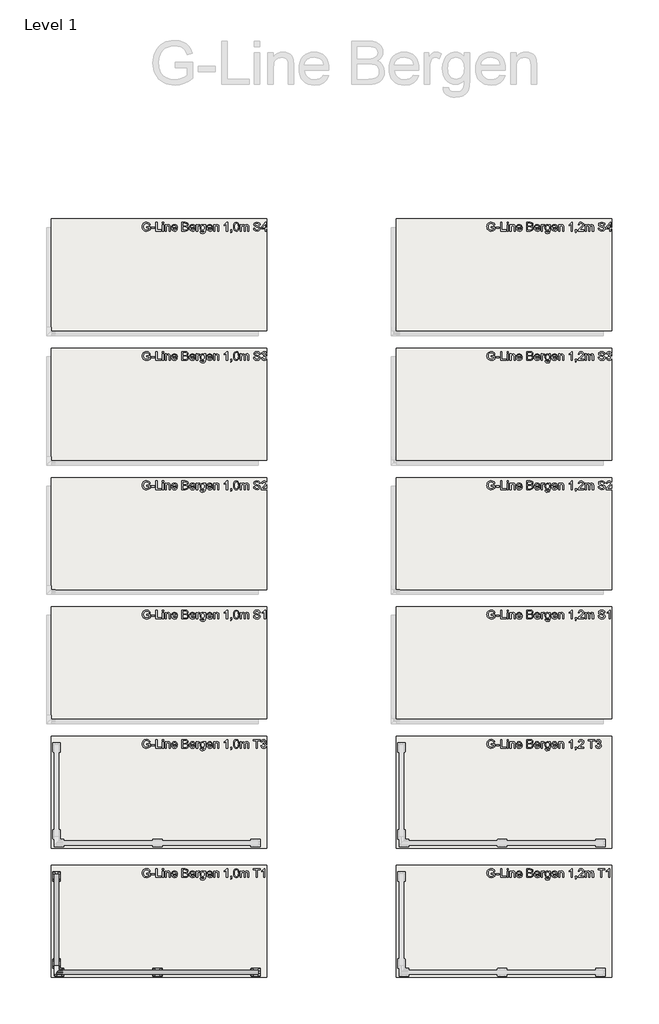
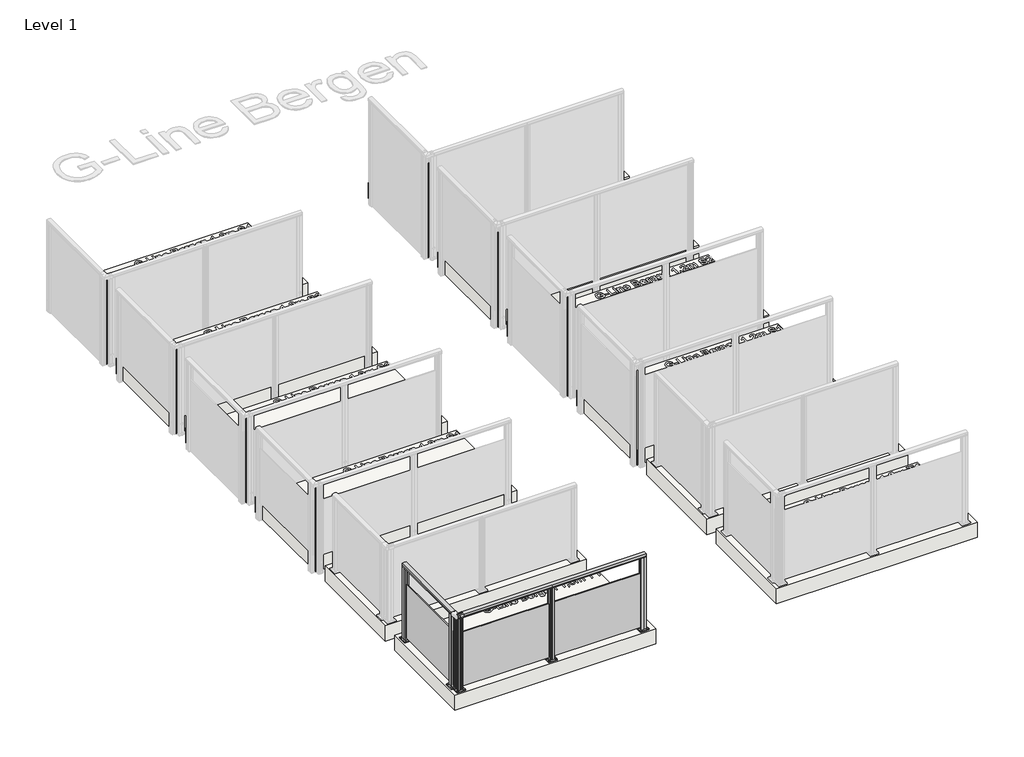
# One storey, part 1 of 14: 12 slabs, 2 railings.
"""IFC4 building model written with IfcOpenShell, lengths in millimetres."""

from ifc_helpers import new_model, si_unit, point, frame, frame_2d, origin, origin_with_axes, place, context, project, spatial, polyline, circle_curve, trimmed, segment, composite_curve, outline, extrude, element, save

model = new_model("IFC4")

# Units and contexts
model_context = context("Model", 3, world=origin())
ifc_project = project(units=[si_unit("LENGTHUNIT", "METRE", prefix="MILLI")], contexts=[model_context])

# Site, building, storey
site = spatial("IfcSite", under=ifc_project)
building = spatial("IfcBuilding", under=site)
storey = spatial("IfcBuildingStorey", under=building, Name="Level 1", Elevation=0.0)

# Railings
placement = place(None, origin())
element("IfcRailing", 1, at=placement, inside=storey, context=model_context, shape_type="SweptSolid", body=[
    extrude(outline(composite_curve([segment(trimmed(circle_curve(frame_2d((942.6785502, -1796.9297443)), 57.3235687), [point((994.1390059, -1771.674784))], [point((994.1342258, -1822.1944423))], False, "CARTESIAN"), True, "CONTINUOUS"), segment(polyline([(994.1342258, -1822.1944423), (967.0235023, -1822.1944423), (966.4415706, -1821.6125106), (965.8194895, -1822.2345917), (957.2498847, -1822.2345917), (957.2498847, -1820.4296387), (980.4998829, -1820.4296387), (980.4998829, -1773.4345926), (957.2498847, -1773.4345926), (957.2498847, -1771.674784), (965.9694895, -1771.674784), (966.5842725, -1772.2895671), (967.1990555, -1771.674784), (994.1390059, -1771.674784)]), True, "CONTINUOUS")], self_intersect=False)), frame((0.0, -4389.2844542, 0.0), z_axis=(0.0, 1.0, 0.0), x_axis=(0.0, 0.0, 1.0)), (0.0, 0.0, 1.0), 1070.0),
    extrude(outline(polyline([(-1802.0345604, -3319.2844542), (-1793.2745604, -3319.2844542), (-1793.2745604, -4389.2844542), (-1802.0345604, -4389.2844542), (-1802.0345604, -3319.2844542)])), frame((0.0, 0.0, 40.0), z_axis=(0.0, 0.0, 1.0), x_axis=(1.0, 0.0, 0.0)), (0.0, 0.0, 1.0), 710.0),
    extrude(outline(composite_curve([segment(trimmed(circle_curve(frame_2d((-1827.6545604, -4319.2844542)), 11.9621755), [point((-1839.6167359, -4319.2844542))], [point((-1815.692385, -4319.2844542))], False, "CARTESIAN"), True, "CONTINUOUS"), segment(trimmed(circle_curve(frame_2d((-1827.6545604, -4319.2844542)), 11.9621755), [point((-1815.692385, -4319.2844542))], [point((-1839.6167359, -4319.2844542))], False, "CARTESIAN"), True, "CONTINUOUS")], self_intersect=False)), frame((0.0, 0.0, 10.0), z_axis=(0.0, 0.0, 1.0), x_axis=(1.0, 0.0, 0.0)), (0.0, 0.0, 1.0), 5.0),
    extrude(outline(composite_curve([segment(trimmed(circle_curve(frame_2d((-1767.6545604, -4319.2844542)), 11.9621755), [point((-1779.6167359, -4319.2844542))], [point((-1755.692385, -4319.2844542))], False, "CARTESIAN"), True, "CONTINUOUS"), segment(trimmed(circle_curve(frame_2d((-1767.6545604, -4319.2844542)), 11.9621755), [point((-1755.692385, -4319.2844542))], [point((-1779.6167359, -4319.2844542))], False, "CARTESIAN"), True, "CONTINUOUS")], self_intersect=False)), frame((0.0, 0.0, 10.0), z_axis=(0.0, 0.0, 1.0), x_axis=(1.0, 0.0, 0.0)), (0.0, 0.0, 1.0), 5.0),
    extrude(outline(composite_curve([segment(trimmed(circle_curve(frame_2d((-1827.6545604, -4399.2844542)), 11.9621755), [point((-1839.6167359, -4399.2844542))], [point((-1815.692385, -4399.2844542))], False, "CARTESIAN"), True, "CONTINUOUS"), segment(trimmed(circle_curve(frame_2d((-1827.6545604, -4399.2844542)), 11.9621755), [point((-1815.692385, -4399.2844542))], [point((-1839.6167359, -4399.2844542))], False, "CARTESIAN"), True, "CONTINUOUS")], self_intersect=False)), frame((0.0, 0.0, 10.0), z_axis=(0.0, 0.0, 1.0), x_axis=(1.0, 0.0, 0.0)), (0.0, 0.0, 1.0), 5.0),
    extrude(outline(composite_curve([segment(trimmed(circle_curve(frame_2d((-1767.6545604, -4399.2844542)), 11.9621755), [point((-1779.6167359, -4399.2844542))], [point((-1755.692385, -4399.2844542))], False, "CARTESIAN"), True, "CONTINUOUS"), segment(trimmed(circle_curve(frame_2d((-1767.6545604, -4399.2844542)), 11.9621755), [point((-1755.692385, -4399.2844542))], [point((-1779.6167359, -4399.2844542))], False, "CARTESIAN"), True, "CONTINUOUS")], self_intersect=False)), frame((0.0, 0.0, 10.0), z_axis=(0.0, 0.0, 1.0), x_axis=(1.0, 0.0, 0.0)), (0.0, 0.0, 1.0), 5.0),
    extrude(outline(composite_curve([segment(trimmed(circle_curve(frame_2d((-1757.6545604, -4309.2844542)), 5.0), [point((-1757.6545604, -4304.2844542))], [point((-1752.6545604, -4309.2844542))], False, "CARTESIAN"), True, "CONTINUOUS"), segment(polyline([(-1752.6545604, -4309.2844542), (-1752.6545604, -4409.2844542)]), True, "CONTINUOUS"), segment(trimmed(circle_curve(frame_2d((-1757.6545604, -4409.2844542)), 5.0), [point((-1752.6545604, -4409.2844542))], [point((-1757.6545604, -4414.2844542))], False, "CARTESIAN"), True, "CONTINUOUS"), segment(polyline([(-1757.6545604, -4414.2844542), (-1837.6545604, -4414.2844542)]), True, "CONTINUOUS"), segment(trimmed(circle_curve(frame_2d((-1837.6545604, -4409.2844542)), 5.0), [point((-1837.6545604, -4414.2844542))], [point((-1842.6545604, -4409.2844542))], False, "CARTESIAN"), True, "CONTINUOUS"), segment(polyline([(-1842.6545604, -4409.2844542), (-1842.6545604, -4309.2844542)]), True, "CONTINUOUS"), segment(trimmed(circle_curve(frame_2d((-1837.6545604, -4309.2844542)), 5.0), [point((-1842.6545604, -4309.2844542))], [point((-1837.6545604, -4304.2844542))], False, "CARTESIAN"), True, "CONTINUOUS"), segment(polyline([(-1837.6545604, -4304.2844542), (-1757.6545604, -4304.2844542)]), True, "CONTINUOUS")], self_intersect=False), holes=[composite_curve([segment(trimmed(circle_curve(frame_2d((-1767.6545604, -4319.2844542)), 6.25), [point((-1773.9045604, -4319.2844542))], [point((-1761.4045604, -4319.2844542))], True, "CARTESIAN"), True, "CONTINUOUS"), segment(trimmed(circle_curve(frame_2d((-1767.6545604, -4319.2844542)), 6.25), [point((-1761.4045604, -4319.2844542))], [point((-1773.9045604, -4319.2844542))], True, "CARTESIAN"), True, "CONTINUOUS")], self_intersect=False), composite_curve([segment(trimmed(circle_curve(frame_2d((-1827.6545604, -4319.2844542)), 6.25), [point((-1833.9045604, -4319.2844542))], [point((-1821.4045604, -4319.2844542))], True, "CARTESIAN"), True, "CONTINUOUS"), segment(trimmed(circle_curve(frame_2d((-1827.6545604, -4319.2844542)), 6.25), [point((-1821.4045604, -4319.2844542))], [point((-1833.9045604, -4319.2844542))], True, "CARTESIAN"), True, "CONTINUOUS")], self_intersect=False), composite_curve([segment(trimmed(circle_curve(frame_2d((-1827.6545604, -4399.2844542)), 6.25), [point((-1833.9045604, -4399.2844542))], [point((-1821.4045604, -4399.2844542))], True, "CARTESIAN"), True, "CONTINUOUS"), segment(trimmed(circle_curve(frame_2d((-1827.6545604, -4399.2844542)), 6.25), [point((-1821.4045604, -4399.2844542))], [point((-1833.9045604, -4399.2844542))], True, "CARTESIAN"), True, "CONTINUOUS")], self_intersect=False), composite_curve([segment(trimmed(circle_curve(frame_2d((-1767.6545604, -4399.2844542)), 6.25), [point((-1773.9045604, -4399.2844542))], [point((-1761.4045604, -4399.2844542))], True, "CARTESIAN"), True, "CONTINUOUS"), segment(trimmed(circle_curve(frame_2d((-1767.6545604, -4399.2844542)), 6.25), [point((-1761.4045604, -4399.2844542))], [point((-1773.9045604, -4399.2844542))], True, "CARTESIAN"), True, "CONTINUOUS")], self_intersect=False)]), origin_with_axes(), (0.0, 0.0, 1.0), 10.0),
    extrude(outline(polyline([(-1802.0004224, -4389.2828611), (-1820.1454222, -4389.2855333), (-1820.1496881, -4360.3185463), (-1819.1215468, -4359.2901021), (-1820.1099364, -4358.3020036), (-1820.1142096, -4329.2855281), (-1802.0092585, -4329.2828618), (-1802.0066813, -4346.7828616), (-1793.2466814, -4346.7815715), (-1793.2492586, -4329.2815717), (-1775.1542588, -4329.2789069), (-1775.1499929, -4358.2458938), (-1776.0683252, -4359.2837617), (-1775.1899031, -4360.1619251), (-1775.1856151, -4389.2789121), (-1793.2404225, -4389.281571), (-1793.2429997, -4371.7815712), (-1802.0029996, -4371.7828613), (-1802.0004224, -4389.2828611)]), holes=[polyline([(-1777.1485448, -4350.4852392), (-1818.1511363, -4350.4852392), (-1818.1511363, -4368.0792009), (-1777.1485448, -4368.0792009), (-1777.1485448, -4350.4852392)]), polyline([(-1804.0064309, -4331.2852394), (-1818.1539638, -4331.2852394), (-1818.1539638, -4348.4831561), (-1804.0064309, -4348.4831561), (-1804.0064309, -4331.2852394)]), polyline([(-1777.1485448, -4331.2812771), (-1791.2489641, -4331.2812771), (-1791.2489641, -4348.4792008), (-1777.1485448, -4348.4792008), (-1777.1485448, -4331.2812771)]), polyline([(-1804.0007169, -4370.0852389), (-1818.1482498, -4370.0852389), (-1818.1482498, -4387.2831556), (-1804.0007169, -4387.2831556), (-1804.0007169, -4370.0852389)]), polyline([(-1777.0957172, -4370.0812767), (-1791.2432501, -4370.0812767), (-1791.2432501, -4387.2791934), (-1777.0957172, -4387.2791934), (-1777.0957172, -4370.0812767)])]), frame((0.0, 0.0, 10.0), z_axis=(0.0, 0.0, 1.0), x_axis=(1.0, 0.0, 0.0)), (0.0, 0.0, 1.0), 971.0),
    extrude(outline(composite_curve([segment(trimmed(circle_curve(frame_2d((-1827.6545604, -3309.2844542)), 11.9621755), [point((-1839.6167359, -3309.2844542))], [point((-1815.692385, -3309.2844542))], False, "CARTESIAN"), True, "CONTINUOUS"), segment(trimmed(circle_curve(frame_2d((-1827.6545604, -3309.2844542)), 11.9621755), [point((-1815.692385, -3309.2844542))], [point((-1839.6167359, -3309.2844542))], False, "CARTESIAN"), True, "CONTINUOUS")], self_intersect=False)), frame((0.0, 0.0, 10.0), z_axis=(0.0, 0.0, 1.0), x_axis=(1.0, 0.0, 0.0)), (0.0, 0.0, 1.0), 5.0),
    extrude(outline(composite_curve([segment(trimmed(circle_curve(frame_2d((-1767.6545604, -3309.2844542)), 11.9621755), [point((-1779.6167359, -3309.2844542))], [point((-1755.692385, -3309.2844542))], False, "CARTESIAN"), True, "CONTINUOUS"), segment(trimmed(circle_curve(frame_2d((-1767.6545604, -3309.2844542)), 11.9621755), [point((-1755.692385, -3309.2844542))], [point((-1779.6167359, -3309.2844542))], False, "CARTESIAN"), True, "CONTINUOUS")], self_intersect=False)), frame((0.0, 0.0, 10.0), z_axis=(0.0, 0.0, 1.0), x_axis=(1.0, 0.0, 0.0)), (0.0, 0.0, 1.0), 5.0),
    extrude(outline(composite_curve([segment(trimmed(circle_curve(frame_2d((-1827.6545604, -3389.2844542)), 11.9621755), [point((-1839.6167359, -3389.2844542))], [point((-1815.692385, -3389.2844542))], False, "CARTESIAN"), True, "CONTINUOUS"), segment(trimmed(circle_curve(frame_2d((-1827.6545604, -3389.2844542)), 11.9621755), [point((-1815.692385, -3389.2844542))], [point((-1839.6167359, -3389.2844542))], False, "CARTESIAN"), True, "CONTINUOUS")], self_intersect=False)), frame((0.0, 0.0, 10.0), z_axis=(0.0, 0.0, 1.0), x_axis=(1.0, 0.0, 0.0)), (0.0, 0.0, 1.0), 5.0),
    extrude(outline(composite_curve([segment(trimmed(circle_curve(frame_2d((-1767.6545604, -3389.2844542)), 11.9621755), [point((-1779.6167359, -3389.2844542))], [point((-1755.692385, -3389.2844542))], False, "CARTESIAN"), True, "CONTINUOUS"), segment(trimmed(circle_curve(frame_2d((-1767.6545604, -3389.2844542)), 11.9621755), [point((-1755.692385, -3389.2844542))], [point((-1779.6167359, -3389.2844542))], False, "CARTESIAN"), True, "CONTINUOUS")], self_intersect=False)), frame((0.0, 0.0, 10.0), z_axis=(0.0, 0.0, 1.0), x_axis=(1.0, 0.0, 0.0)), (0.0, 0.0, 1.0), 5.0),
    extrude(outline(composite_curve([segment(trimmed(circle_curve(frame_2d((-1757.6545604, -3299.2844542)), 5.0), [point((-1757.6545604, -3294.2844542))], [point((-1752.6545604, -3299.2844542))], False, "CARTESIAN"), True, "CONTINUOUS"), segment(polyline([(-1752.6545604, -3299.2844542), (-1752.6545604, -3399.2844542)]), True, "CONTINUOUS"), segment(trimmed(circle_curve(frame_2d((-1757.6545604, -3399.2844542)), 5.0), [point((-1752.6545604, -3399.2844542))], [point((-1757.6545604, -3404.2844542))], False, "CARTESIAN"), True, "CONTINUOUS"), segment(polyline([(-1757.6545604, -3404.2844542), (-1837.6545604, -3404.2844542)]), True, "CONTINUOUS"), segment(trimmed(circle_curve(frame_2d((-1837.6545604, -3399.2844542)), 5.0), [point((-1837.6545604, -3404.2844542))], [point((-1842.6545604, -3399.2844542))], False, "CARTESIAN"), True, "CONTINUOUS"), segment(polyline([(-1842.6545604, -3399.2844542), (-1842.6545604, -3299.2844542)]), True, "CONTINUOUS"), segment(trimmed(circle_curve(frame_2d((-1837.6545604, -3299.2844542)), 5.0), [point((-1842.6545604, -3299.2844542))], [point((-1837.6545604, -3294.2844542))], False, "CARTESIAN"), True, "CONTINUOUS"), segment(polyline([(-1837.6545604, -3294.2844542), (-1757.6545604, -3294.2844542)]), True, "CONTINUOUS")], self_intersect=False), holes=[composite_curve([segment(trimmed(circle_curve(frame_2d((-1767.6545604, -3309.2844542)), 6.25), [point((-1773.9045604, -3309.2844542))], [point((-1761.4045604, -3309.2844542))], True, "CARTESIAN"), True, "CONTINUOUS"), segment(trimmed(circle_curve(frame_2d((-1767.6545604, -3309.2844542)), 6.25), [point((-1761.4045604, -3309.2844542))], [point((-1773.9045604, -3309.2844542))], True, "CARTESIAN"), True, "CONTINUOUS")], self_intersect=False), composite_curve([segment(trimmed(circle_curve(frame_2d((-1827.6545604, -3309.2844542)), 6.25), [point((-1833.9045604, -3309.2844542))], [point((-1821.4045604, -3309.2844542))], True, "CARTESIAN"), True, "CONTINUOUS"), segment(trimmed(circle_curve(frame_2d((-1827.6545604, -3309.2844542)), 6.25), [point((-1821.4045604, -3309.2844542))], [point((-1833.9045604, -3309.2844542))], True, "CARTESIAN"), True, "CONTINUOUS")], self_intersect=False), composite_curve([segment(trimmed(circle_curve(frame_2d((-1827.6545604, -3389.2844542)), 6.25), [point((-1833.9045604, -3389.2844542))], [point((-1821.4045604, -3389.2844542))], True, "CARTESIAN"), True, "CONTINUOUS"), segment(trimmed(circle_curve(frame_2d((-1827.6545604, -3389.2844542)), 6.25), [point((-1821.4045604, -3389.2844542))], [point((-1833.9045604, -3389.2844542))], True, "CARTESIAN"), True, "CONTINUOUS")], self_intersect=False), composite_curve([segment(trimmed(circle_curve(frame_2d((-1767.6545604, -3389.2844542)), 6.25), [point((-1773.9045604, -3389.2844542))], [point((-1761.4045604, -3389.2844542))], True, "CARTESIAN"), True, "CONTINUOUS"), segment(trimmed(circle_curve(frame_2d((-1767.6545604, -3389.2844542)), 6.25), [point((-1761.4045604, -3389.2844542))], [point((-1773.9045604, -3389.2844542))], True, "CARTESIAN"), True, "CONTINUOUS")], self_intersect=False)]), origin_with_axes(), (0.0, 0.0, 1.0), 10.0),
    extrude(outline(polyline([(-1802.0004224, -3379.2828611), (-1820.1454222, -3379.2855333), (-1820.1496881, -3350.3185463), (-1819.1215468, -3349.2901021), (-1820.1099364, -3348.3020036), (-1820.1142096, -3319.2855281), (-1802.0092585, -3319.2828618), (-1802.0066813, -3336.7828616), (-1793.2466814, -3336.7815715), (-1793.2492586, -3319.2815717), (-1775.1542588, -3319.2789069), (-1775.1499929, -3348.2458938), (-1776.0683252, -3349.2837617), (-1775.1899031, -3350.1619251), (-1775.1856151, -3379.2789121), (-1793.2404225, -3379.281571), (-1793.2429997, -3361.7815712), (-1802.0029996, -3361.7828613), (-1802.0004224, -3379.2828611)]), holes=[polyline([(-1777.1485448, -3340.4852392), (-1818.1511363, -3340.4852392), (-1818.1511363, -3358.0792009), (-1777.1485448, -3358.0792009), (-1777.1485448, -3340.4852392)]), polyline([(-1804.0064309, -3321.2852394), (-1818.1539638, -3321.2852394), (-1818.1539638, -3338.4831561), (-1804.0064309, -3338.4831561), (-1804.0064309, -3321.2852394)]), polyline([(-1777.1485448, -3321.2812771), (-1791.2489641, -3321.2812771), (-1791.2489641, -3338.4792008), (-1777.1485448, -3338.4792008), (-1777.1485448, -3321.2812771)]), polyline([(-1804.0007169, -3360.0852389), (-1818.1482498, -3360.0852389), (-1818.1482498, -3377.2831556), (-1804.0007169, -3377.2831556), (-1804.0007169, -3360.0852389)]), polyline([(-1777.0957172, -3360.0812767), (-1791.2432501, -3360.0812767), (-1791.2432501, -3377.2791934), (-1777.0957172, -3377.2791934), (-1777.0957172, -3360.0812767)])]), frame((0.0, 0.0, 10.0), z_axis=(0.0, 0.0, 1.0), x_axis=(1.0, 0.0, 0.0)), (0.0, 0.0, 1.0), 971.0),
])
element("IfcRailing", 2, at=placement, inside=storey, context=model_context, shape_type="SweptSolid", body=[
    extrude(outline(composite_curve([segment(polyline([(-4433.3046778, 994.1390059), (-4433.3046778, 967.1990555), (-4433.9194608, 966.5842725), (-4433.3046778, 965.9694895), (-4433.3046778, 957.2498847), (-4435.0644864, 957.2498847), (-4435.0644864, 980.4998829), (-4482.0595325, 980.4998829), (-4482.0595325, 957.2498847), (-4483.8644854, 957.2498847), (-4483.8644854, 965.8194895), (-4483.2424043, 966.4415706), (-4483.8243361, 967.0235023), (-4483.8243361, 994.1342258)]), True, "CONTINUOUS"), segment(trimmed(circle_curve(frame_2d((-4458.5596381, 942.6785502)), 57.3235687), [point((-4483.8243361, 994.1342258))], [point((-4433.3046778, 994.1390059))], False, "CARTESIAN"), True, "CONTINUOUS")], self_intersect=False)), frame((-1797.6545604, 0.0, 0.0), z_axis=(1.0, 0.0, 0.0), x_axis=(0.0, 1.0, 0.0)), (0.0, 0.0, 1.0), 2340.0),
    extrude(outline(polyline([(-1797.6545604, -4463.6644542), (-1797.6545604, -4454.9044542), (542.3454396, -4454.9044542), (542.3454396, -4463.6644542), (-1797.6545604, -4463.6644542)])), frame((0.0, 0.0, 40.0), z_axis=(0.0, 0.0, 1.0), x_axis=(1.0, 0.0, 0.0)), (0.0, 0.0, 1.0), 710.0),
    extrude(outline(composite_curve([segment(trimmed(circle_curve(frame_2d((-667.6545604, -4489.2844542)), 11.9621755), [point((-667.6545604, -4501.2466296))], [point((-667.6545604, -4477.3222787))], False, "CARTESIAN"), True, "CONTINUOUS"), segment(trimmed(circle_curve(frame_2d((-667.6545604, -4489.2844542)), 11.9621755), [point((-667.6545604, -4477.3222787))], [point((-667.6545604, -4501.2466296))], False, "CARTESIAN"), True, "CONTINUOUS")], self_intersect=False)), frame((0.0, 0.0, 10.0), z_axis=(0.0, 0.0, 1.0), x_axis=(1.0, 0.0, 0.0)), (0.0, 0.0, 1.0), 5.0),
    extrude(outline(composite_curve([segment(trimmed(circle_curve(frame_2d((-667.6545604, -4429.2844542)), 11.9621755), [point((-667.6545604, -4441.2466296))], [point((-667.6545604, -4417.3222787))], False, "CARTESIAN"), True, "CONTINUOUS"), segment(trimmed(circle_curve(frame_2d((-667.6545604, -4429.2844542)), 11.9621755), [point((-667.6545604, -4417.3222787))], [point((-667.6545604, -4441.2466296))], False, "CARTESIAN"), True, "CONTINUOUS")], self_intersect=False)), frame((0.0, 0.0, 10.0), z_axis=(0.0, 0.0, 1.0), x_axis=(1.0, 0.0, 0.0)), (0.0, 0.0, 1.0), 5.0),
    extrude(outline(composite_curve([segment(trimmed(circle_curve(frame_2d((-587.6545604, -4489.2844542)), 11.9621755), [point((-587.6545604, -4501.2466296))], [point((-587.6545604, -4477.3222787))], False, "CARTESIAN"), True, "CONTINUOUS"), segment(trimmed(circle_curve(frame_2d((-587.6545604, -4489.2844542)), 11.9621755), [point((-587.6545604, -4477.3222787))], [point((-587.6545604, -4501.2466296))], False, "CARTESIAN"), True, "CONTINUOUS")], self_intersect=False)), frame((0.0, 0.0, 10.0), z_axis=(0.0, 0.0, 1.0), x_axis=(1.0, 0.0, 0.0)), (0.0, 0.0, 1.0), 5.0),
    extrude(outline(composite_curve([segment(trimmed(circle_curve(frame_2d((-587.6545604, -4429.2844542)), 11.9621755), [point((-587.6545604, -4441.2466296))], [point((-587.6545604, -4417.3222787))], False, "CARTESIAN"), True, "CONTINUOUS"), segment(trimmed(circle_curve(frame_2d((-587.6545604, -4429.2844542)), 11.9621755), [point((-587.6545604, -4417.3222787))], [point((-587.6545604, -4441.2466296))], False, "CARTESIAN"), True, "CONTINUOUS")], self_intersect=False)), frame((0.0, 0.0, 10.0), z_axis=(0.0, 0.0, 1.0), x_axis=(1.0, 0.0, 0.0)), (0.0, 0.0, 1.0), 5.0),
    extrude(outline(composite_curve([segment(trimmed(circle_curve(frame_2d((-677.6545604, -4419.2844542)), 5.0), [point((-682.6545604, -4419.2844542))], [point((-677.6545604, -4414.2844542))], False, "CARTESIAN"), True, "CONTINUOUS"), segment(polyline([(-677.6545604, -4414.2844542), (-577.6545604, -4414.2844542)]), True, "CONTINUOUS"), segment(trimmed(circle_curve(frame_2d((-577.6545604, -4419.2844542)), 5.0), [point((-577.6545604, -4414.2844542))], [point((-572.6545604, -4419.2844542))], False, "CARTESIAN"), True, "CONTINUOUS"), segment(polyline([(-572.6545604, -4419.2844542), (-572.6545604, -4499.2844542)]), True, "CONTINUOUS"), segment(trimmed(circle_curve(frame_2d((-577.6545604, -4499.2844542)), 5.0), [point((-572.6545604, -4499.2844542))], [point((-577.6545604, -4504.2844542))], False, "CARTESIAN"), True, "CONTINUOUS"), segment(polyline([(-577.6545604, -4504.2844542), (-677.6545604, -4504.2844542)]), True, "CONTINUOUS"), segment(trimmed(circle_curve(frame_2d((-677.6545604, -4499.2844542)), 5.0), [point((-677.6545604, -4504.2844542))], [point((-682.6545604, -4499.2844542))], False, "CARTESIAN"), True, "CONTINUOUS"), segment(polyline([(-682.6545604, -4499.2844542), (-682.6545604, -4419.2844542)]), True, "CONTINUOUS")], self_intersect=False), holes=[composite_curve([segment(trimmed(circle_curve(frame_2d((-667.6545604, -4429.2844542)), 6.25), [point((-667.6545604, -4435.5344542))], [point((-667.6545604, -4423.0344542))], True, "CARTESIAN"), True, "CONTINUOUS"), segment(trimmed(circle_curve(frame_2d((-667.6545604, -4429.2844542)), 6.25), [point((-667.6545604, -4423.0344542))], [point((-667.6545604, -4435.5344542))], True, "CARTESIAN"), True, "CONTINUOUS")], self_intersect=False), composite_curve([segment(trimmed(circle_curve(frame_2d((-667.6545604, -4489.2844542)), 6.25), [point((-667.6545604, -4495.5344542))], [point((-667.6545604, -4483.0344542))], True, "CARTESIAN"), True, "CONTINUOUS"), segment(trimmed(circle_curve(frame_2d((-667.6545604, -4489.2844542)), 6.25), [point((-667.6545604, -4483.0344542))], [point((-667.6545604, -4495.5344542))], True, "CARTESIAN"), True, "CONTINUOUS")], self_intersect=False), composite_curve([segment(trimmed(circle_curve(frame_2d((-587.6545604, -4489.2844542)), 6.25), [point((-587.6545604, -4495.5344542))], [point((-587.6545604, -4483.0344542))], True, "CARTESIAN"), True, "CONTINUOUS"), segment(trimmed(circle_curve(frame_2d((-587.6545604, -4489.2844542)), 6.25), [point((-587.6545604, -4483.0344542))], [point((-587.6545604, -4495.5344542))], True, "CARTESIAN"), True, "CONTINUOUS")], self_intersect=False), composite_curve([segment(trimmed(circle_curve(frame_2d((-587.6545604, -4429.2844542)), 6.25), [point((-587.6545604, -4435.5344542))], [point((-587.6545604, -4423.0344542))], True, "CARTESIAN"), True, "CONTINUOUS"), segment(trimmed(circle_curve(frame_2d((-587.6545604, -4429.2844542)), 6.25), [point((-587.6545604, -4423.0344542))], [point((-587.6545604, -4435.5344542))], True, "CARTESIAN"), True, "CONTINUOUS")], self_intersect=False)]), origin_with_axes(), (0.0, 0.0, 1.0), 10.0),
    extrude(outline(polyline([(-597.6561535, -4463.6303161), (-597.6534813, -4481.775316), (-626.6204683, -4481.7795819), (-627.6489125, -4480.7514406), (-628.637011, -4481.7398302), (-657.6534865, -4481.7441034), (-657.6561528, -4463.6391523), (-640.156153, -4463.6365751), (-640.1574431, -4454.8765752), (-657.6574429, -4454.8791524), (-657.6601078, -4436.7841526), (-628.6931208, -4436.7798866), (-627.6552529, -4437.698219), (-626.7770895, -4436.8197969), (-597.6601025, -4436.8155088), (-597.6574436, -4454.8703162), (-615.1574434, -4454.8728934), (-615.1561533, -4463.6328934), (-597.6561535, -4463.6303161)]), holes=[polyline([(-636.4537754, -4438.7784385), (-636.4537754, -4479.78103), (-618.8598137, -4479.78103), (-618.8598137, -4438.7784385), (-636.4537754, -4438.7784385)]), polyline([(-655.6537752, -4465.6363247), (-655.6537752, -4479.7838576), (-638.4558585, -4479.7838576), (-638.4558585, -4465.6363247), (-655.6537752, -4465.6363247)]), polyline([(-655.6577375, -4438.7784385), (-655.6577375, -4452.8788579), (-638.4598138, -4452.8788579), (-638.4598138, -4438.7784385), (-655.6577375, -4438.7784385)]), polyline([(-616.8537757, -4465.6306107), (-616.8537757, -4479.7781435), (-599.655859, -4479.7781435), (-599.655859, -4465.6306107), (-616.8537757, -4465.6306107)]), polyline([(-616.8577379, -4438.725611), (-616.8577379, -4452.8731438), (-599.6598212, -4452.8731438), (-599.6598212, -4438.725611), (-616.8577379, -4438.725611)])]), frame((0.0, 0.0, 10.0), z_axis=(0.0, 0.0, 1.0), x_axis=(1.0, 0.0, 0.0)), (0.0, 0.0, 1.0), 971.0),
    extrude(outline(composite_curve([segment(trimmed(circle_curve(frame_2d((472.3454396, -4489.2844542)), 11.9621755), [point((472.3454396, -4501.2466296))], [point((472.3454396, -4477.3222787))], False, "CARTESIAN"), True, "CONTINUOUS"), segment(trimmed(circle_curve(frame_2d((472.3454396, -4489.2844542)), 11.9621755), [point((472.3454396, -4477.3222787))], [point((472.3454396, -4501.2466296))], False, "CARTESIAN"), True, "CONTINUOUS")], self_intersect=False)), frame((0.0, 0.0, 10.0), z_axis=(0.0, 0.0, 1.0), x_axis=(1.0, 0.0, 0.0)), (0.0, 0.0, 1.0), 5.0),
    extrude(outline(composite_curve([segment(trimmed(circle_curve(frame_2d((472.3454396, -4429.2844542)), 11.9621755), [point((472.3454396, -4441.2466296))], [point((472.3454396, -4417.3222787))], False, "CARTESIAN"), True, "CONTINUOUS"), segment(trimmed(circle_curve(frame_2d((472.3454396, -4429.2844542)), 11.9621755), [point((472.3454396, -4417.3222787))], [point((472.3454396, -4441.2466296))], False, "CARTESIAN"), True, "CONTINUOUS")], self_intersect=False)), frame((0.0, 0.0, 10.0), z_axis=(0.0, 0.0, 1.0), x_axis=(1.0, 0.0, 0.0)), (0.0, 0.0, 1.0), 5.0),
    extrude(outline(composite_curve([segment(trimmed(circle_curve(frame_2d((552.3454396, -4489.2844542)), 11.9621755), [point((552.3454396, -4501.2466296))], [point((552.3454396, -4477.3222787))], False, "CARTESIAN"), True, "CONTINUOUS"), segment(trimmed(circle_curve(frame_2d((552.3454396, -4489.2844542)), 11.9621755), [point((552.3454396, -4477.3222787))], [point((552.3454396, -4501.2466296))], False, "CARTESIAN"), True, "CONTINUOUS")], self_intersect=False)), frame((0.0, 0.0, 10.0), z_axis=(0.0, 0.0, 1.0), x_axis=(1.0, 0.0, 0.0)), (0.0, 0.0, 1.0), 5.0),
    extrude(outline(composite_curve([segment(trimmed(circle_curve(frame_2d((552.3454396, -4429.2844542)), 11.9621755), [point((552.3454396, -4441.2466296))], [point((552.3454396, -4417.3222787))], False, "CARTESIAN"), True, "CONTINUOUS"), segment(trimmed(circle_curve(frame_2d((552.3454396, -4429.2844542)), 11.9621755), [point((552.3454396, -4417.3222787))], [point((552.3454396, -4441.2466296))], False, "CARTESIAN"), True, "CONTINUOUS")], self_intersect=False)), frame((0.0, 0.0, 10.0), z_axis=(0.0, 0.0, 1.0), x_axis=(1.0, 0.0, 0.0)), (0.0, 0.0, 1.0), 5.0),
    extrude(outline(composite_curve([segment(trimmed(circle_curve(frame_2d((462.3454396, -4419.2844542)), 5.0), [point((457.3454396, -4419.2844542))], [point((462.3454396, -4414.2844542))], False, "CARTESIAN"), True, "CONTINUOUS"), segment(polyline([(462.3454396, -4414.2844542), (562.3454396, -4414.2844542)]), True, "CONTINUOUS"), segment(trimmed(circle_curve(frame_2d((562.3454396, -4419.2844542)), 5.0), [point((562.3454396, -4414.2844542))], [point((567.3454396, -4419.2844542))], False, "CARTESIAN"), True, "CONTINUOUS"), segment(polyline([(567.3454396, -4419.2844542), (567.3454396, -4499.2844542)]), True, "CONTINUOUS"), segment(trimmed(circle_curve(frame_2d((562.3454396, -4499.2844542)), 5.0), [point((567.3454396, -4499.2844542))], [point((562.3454396, -4504.2844542))], False, "CARTESIAN"), True, "CONTINUOUS"), segment(polyline([(562.3454396, -4504.2844542), (462.3454396, -4504.2844542)]), True, "CONTINUOUS"), segment(trimmed(circle_curve(frame_2d((462.3454396, -4499.2844542)), 5.0), [point((462.3454396, -4504.2844542))], [point((457.3454396, -4499.2844542))], False, "CARTESIAN"), True, "CONTINUOUS"), segment(polyline([(457.3454396, -4499.2844542), (457.3454396, -4419.2844542)]), True, "CONTINUOUS")], self_intersect=False), holes=[composite_curve([segment(trimmed(circle_curve(frame_2d((472.3454396, -4429.2844542)), 6.25), [point((472.3454396, -4435.5344542))], [point((472.3454396, -4423.0344542))], True, "CARTESIAN"), True, "CONTINUOUS"), segment(trimmed(circle_curve(frame_2d((472.3454396, -4429.2844542)), 6.25), [point((472.3454396, -4423.0344542))], [point((472.3454396, -4435.5344542))], True, "CARTESIAN"), True, "CONTINUOUS")], self_intersect=False), composite_curve([segment(trimmed(circle_curve(frame_2d((472.3454396, -4489.2844542)), 6.25), [point((472.3454396, -4495.5344542))], [point((472.3454396, -4483.0344542))], True, "CARTESIAN"), True, "CONTINUOUS"), segment(trimmed(circle_curve(frame_2d((472.3454396, -4489.2844542)), 6.25), [point((472.3454396, -4483.0344542))], [point((472.3454396, -4495.5344542))], True, "CARTESIAN"), True, "CONTINUOUS")], self_intersect=False), composite_curve([segment(trimmed(circle_curve(frame_2d((552.3454396, -4489.2844542)), 6.25), [point((552.3454396, -4495.5344542))], [point((552.3454396, -4483.0344542))], True, "CARTESIAN"), True, "CONTINUOUS"), segment(trimmed(circle_curve(frame_2d((552.3454396, -4489.2844542)), 6.25), [point((552.3454396, -4483.0344542))], [point((552.3454396, -4495.5344542))], True, "CARTESIAN"), True, "CONTINUOUS")], self_intersect=False), composite_curve([segment(trimmed(circle_curve(frame_2d((552.3454396, -4429.2844542)), 6.25), [point((552.3454396, -4435.5344542))], [point((552.3454396, -4423.0344542))], True, "CARTESIAN"), True, "CONTINUOUS"), segment(trimmed(circle_curve(frame_2d((552.3454396, -4429.2844542)), 6.25), [point((552.3454396, -4423.0344542))], [point((552.3454396, -4435.5344542))], True, "CARTESIAN"), True, "CONTINUOUS")], self_intersect=False)]), origin_with_axes(), (0.0, 0.0, 1.0), 10.0),
    extrude(outline(polyline([(542.3438465, -4463.6303161), (542.3465187, -4481.775316), (513.3795317, -4481.7795819), (512.3510875, -4480.7514406), (511.362989, -4481.7398302), (482.3465135, -4481.7441034), (482.3438472, -4463.6391523), (499.843847, -4463.6365751), (499.8425569, -4454.8765752), (482.3425571, -4454.8791524), (482.3398922, -4436.7841526), (511.3068792, -4436.7798866), (512.3447471, -4437.698219), (513.2229105, -4436.8197969), (542.3398975, -4436.8155088), (542.3425564, -4454.8703162), (524.8425566, -4454.8728935), (524.8438467, -4463.6328934), (542.3438465, -4463.6303161)]), holes=[polyline([(503.5462246, -4438.7784385), (503.5462246, -4479.78103), (521.1401863, -4479.78103), (521.1401863, -4438.7784385), (503.5462246, -4438.7784385)]), polyline([(484.3462248, -4465.6363247), (484.3462248, -4479.7838576), (501.5441415, -4479.7838576), (501.5441415, -4465.6363247), (484.3462248, -4465.6363247)]), polyline([(484.3422625, -4438.7784385), (484.3422625, -4452.8788579), (501.5401862, -4452.8788579), (501.5401862, -4438.7784385), (484.3422625, -4438.7784385)]), polyline([(523.1462243, -4465.6306107), (523.1462243, -4479.7781435), (540.344141, -4479.7781435), (540.344141, -4465.6306107), (523.1462243, -4465.6306107)]), polyline([(523.1422621, -4438.725611), (523.1422621, -4452.8731438), (540.3401788, -4452.8731438), (540.3401788, -4438.725611), (523.1422621, -4438.725611)])]), frame((0.0, 0.0, 10.0), z_axis=(0.0, 0.0, 1.0), x_axis=(1.0, 0.0, 0.0)), (0.0, 0.0, 1.0), 971.0),
    extrude(outline(composite_curve([segment(trimmed(circle_curve(frame_2d((-1807.6545604, -4489.2844542)), 11.9621755), [point((-1807.6545604, -4501.2466296))], [point((-1807.6545604, -4477.3222787))], False, "CARTESIAN"), True, "CONTINUOUS"), segment(trimmed(circle_curve(frame_2d((-1807.6545604, -4489.2844542)), 11.9621755), [point((-1807.6545604, -4477.3222787))], [point((-1807.6545604, -4501.2466296))], False, "CARTESIAN"), True, "CONTINUOUS")], self_intersect=False)), frame((0.0, 0.0, 10.0), z_axis=(0.0, 0.0, 1.0), x_axis=(1.0, 0.0, 0.0)), (0.0, 0.0, 1.0), 5.0),
    extrude(outline(composite_curve([segment(trimmed(circle_curve(frame_2d((-1807.6545604, -4429.2844542)), 11.9621755), [point((-1807.6545604, -4441.2466296))], [point((-1807.6545604, -4417.3222787))], False, "CARTESIAN"), True, "CONTINUOUS"), segment(trimmed(circle_curve(frame_2d((-1807.6545604, -4429.2844542)), 11.9621755), [point((-1807.6545604, -4417.3222787))], [point((-1807.6545604, -4441.2466296))], False, "CARTESIAN"), True, "CONTINUOUS")], self_intersect=False)), frame((0.0, 0.0, 10.0), z_axis=(0.0, 0.0, 1.0), x_axis=(1.0, 0.0, 0.0)), (0.0, 0.0, 1.0), 5.0),
    extrude(outline(composite_curve([segment(trimmed(circle_curve(frame_2d((-1727.6545604, -4489.2844542)), 11.9621755), [point((-1727.6545604, -4501.2466296))], [point((-1727.6545604, -4477.3222787))], False, "CARTESIAN"), True, "CONTINUOUS"), segment(trimmed(circle_curve(frame_2d((-1727.6545604, -4489.2844542)), 11.9621755), [point((-1727.6545604, -4477.3222787))], [point((-1727.6545604, -4501.2466296))], False, "CARTESIAN"), True, "CONTINUOUS")], self_intersect=False)), frame((0.0, 0.0, 10.0), z_axis=(0.0, 0.0, 1.0), x_axis=(1.0, 0.0, 0.0)), (0.0, 0.0, 1.0), 5.0),
    extrude(outline(composite_curve([segment(trimmed(circle_curve(frame_2d((-1727.6545604, -4429.2844542)), 11.9621755), [point((-1727.6545604, -4441.2466296))], [point((-1727.6545604, -4417.3222787))], False, "CARTESIAN"), True, "CONTINUOUS"), segment(trimmed(circle_curve(frame_2d((-1727.6545604, -4429.2844542)), 11.9621755), [point((-1727.6545604, -4417.3222787))], [point((-1727.6545604, -4441.2466296))], False, "CARTESIAN"), True, "CONTINUOUS")], self_intersect=False)), frame((0.0, 0.0, 10.0), z_axis=(0.0, 0.0, 1.0), x_axis=(1.0, 0.0, 0.0)), (0.0, 0.0, 1.0), 5.0),
    extrude(outline(composite_curve([segment(trimmed(circle_curve(frame_2d((-1817.6545604, -4419.2844542)), 5.0), [point((-1822.6545604, -4419.2844542))], [point((-1817.6545604, -4414.2844542))], False, "CARTESIAN"), True, "CONTINUOUS"), segment(polyline([(-1817.6545604, -4414.2844542), (-1717.6545604, -4414.2844542)]), True, "CONTINUOUS"), segment(trimmed(circle_curve(frame_2d((-1717.6545604, -4419.2844542)), 5.0), [point((-1717.6545604, -4414.2844542))], [point((-1712.6545604, -4419.2844542))], False, "CARTESIAN"), True, "CONTINUOUS"), segment(polyline([(-1712.6545604, -4419.2844542), (-1712.6545604, -4499.2844542)]), True, "CONTINUOUS"), segment(trimmed(circle_curve(frame_2d((-1717.6545604, -4499.2844542)), 5.0), [point((-1712.6545604, -4499.2844542))], [point((-1717.6545604, -4504.2844542))], False, "CARTESIAN"), True, "CONTINUOUS"), segment(polyline([(-1717.6545604, -4504.2844542), (-1817.6545604, -4504.2844542)]), True, "CONTINUOUS"), segment(trimmed(circle_curve(frame_2d((-1817.6545604, -4499.2844542)), 5.0), [point((-1817.6545604, -4504.2844542))], [point((-1822.6545604, -4499.2844542))], False, "CARTESIAN"), True, "CONTINUOUS"), segment(polyline([(-1822.6545604, -4499.2844542), (-1822.6545604, -4419.2844542)]), True, "CONTINUOUS")], self_intersect=False), holes=[composite_curve([segment(trimmed(circle_curve(frame_2d((-1807.6545604, -4429.2844542)), 6.25), [point((-1807.6545604, -4435.5344542))], [point((-1807.6545604, -4423.0344542))], True, "CARTESIAN"), True, "CONTINUOUS"), segment(trimmed(circle_curve(frame_2d((-1807.6545604, -4429.2844542)), 6.25), [point((-1807.6545604, -4423.0344542))], [point((-1807.6545604, -4435.5344542))], True, "CARTESIAN"), True, "CONTINUOUS")], self_intersect=False), composite_curve([segment(trimmed(circle_curve(frame_2d((-1807.6545604, -4489.2844542)), 6.25), [point((-1807.6545604, -4495.5344542))], [point((-1807.6545604, -4483.0344542))], True, "CARTESIAN"), True, "CONTINUOUS"), segment(trimmed(circle_curve(frame_2d((-1807.6545604, -4489.2844542)), 6.25), [point((-1807.6545604, -4483.0344542))], [point((-1807.6545604, -4495.5344542))], True, "CARTESIAN"), True, "CONTINUOUS")], self_intersect=False), composite_curve([segment(trimmed(circle_curve(frame_2d((-1727.6545604, -4489.2844542)), 6.25), [point((-1727.6545604, -4495.5344542))], [point((-1727.6545604, -4483.0344542))], True, "CARTESIAN"), True, "CONTINUOUS"), segment(trimmed(circle_curve(frame_2d((-1727.6545604, -4489.2844542)), 6.25), [point((-1727.6545604, -4483.0344542))], [point((-1727.6545604, -4495.5344542))], True, "CARTESIAN"), True, "CONTINUOUS")], self_intersect=False), composite_curve([segment(trimmed(circle_curve(frame_2d((-1727.6545604, -4429.2844542)), 6.25), [point((-1727.6545604, -4435.5344542))], [point((-1727.6545604, -4423.0344542))], True, "CARTESIAN"), True, "CONTINUOUS"), segment(trimmed(circle_curve(frame_2d((-1727.6545604, -4429.2844542)), 6.25), [point((-1727.6545604, -4423.0344542))], [point((-1727.6545604, -4435.5344542))], True, "CARTESIAN"), True, "CONTINUOUS")], self_intersect=False)]), origin_with_axes(), (0.0, 0.0, 1.0), 10.0),
    extrude(outline(polyline([(-1737.6561535, -4463.6303161), (-1737.6534813, -4481.7753159), (-1766.6204683, -4481.7795819), (-1767.6489125, -4480.7514406), (-1768.637011, -4481.7398302), (-1797.6534865, -4481.7441034), (-1797.6561528, -4463.6391523), (-1780.156153, -4463.6365751), (-1780.1574431, -4454.8765752), (-1797.6574429, -4454.8791524), (-1797.6601078, -4436.7841526), (-1768.6931208, -4436.7798866), (-1767.6552529, -4437.698219), (-1766.7770895, -4436.8197968), (-1737.6601025, -4436.8155088), (-1737.6574436, -4454.8703162), (-1755.1574434, -4454.8728934), (-1755.1561533, -4463.6328934), (-1737.6561535, -4463.6303161)]), holes=[polyline([(-1776.4537754, -4438.7784385), (-1776.4537754, -4479.78103), (-1758.8598137, -4479.78103), (-1758.8598137, -4438.7784385), (-1776.4537754, -4438.7784385)]), polyline([(-1795.6537752, -4465.6363247), (-1795.6537752, -4479.7838576), (-1778.4558585, -4479.7838576), (-1778.4558585, -4465.6363247), (-1795.6537752, -4465.6363247)]), polyline([(-1795.6577375, -4438.7784385), (-1795.6577375, -4452.8788579), (-1778.4598138, -4452.8788579), (-1778.4598138, -4438.7784385), (-1795.6577375, -4438.7784385)]), polyline([(-1756.8537757, -4465.6306107), (-1756.8537757, -4479.7781435), (-1739.655859, -4479.7781435), (-1739.655859, -4465.6306107), (-1756.8537757, -4465.6306107)]), polyline([(-1756.8577379, -4438.725611), (-1756.8577379, -4452.8731438), (-1739.6598212, -4452.8731438), (-1739.6598212, -4438.725611), (-1756.8577379, -4438.725611)])]), frame((0.0, 0.0, 10.0), z_axis=(0.0, 0.0, 1.0), x_axis=(1.0, 0.0, 0.0)), (0.0, 0.0, 1.0), 971.0),
])

# Slabs
element("IfcSlab", 3, ObjectType="Generic Floor - 400mm", at=placement, inside=storey, context=model_context, shape_type="SweptSolid", body=[
    extrude(outline(polyline([(642.3454396, -4519.2844542), (-1857.6545604, -4519.2844542), (-1857.6545604, -3219.2844542), (642.3454396, -3219.2844542), (642.3454396, -4519.2844542)])), frame((0.0, 0.0, -200.0), z_axis=(0.0, 0.0, 1.0), x_axis=(1.0, 0.0, 0.0)), (0.0, 0.0, 1.0), 200.0),
])
element("IfcSlab", 4, ObjectType="Generic Floor - 400mm", at=placement, inside=storey, context=model_context, shape_type="SweptSolid", body=[
    extrude(outline(polyline([(642.3454396, -3019.2844542), (-1857.6545604, -3019.2844542), (-1857.6545604, -1719.2844542), (642.3454396, -1719.2844542), (642.3454396, -3019.2844542)])), frame((0.0, 0.0, -200.0), z_axis=(0.0, 0.0, 1.0), x_axis=(1.0, 0.0, 0.0)), (0.0, 0.0, 1.0), 200.0),
])
element("IfcSlab", 5, ObjectType="Generic Floor - 400mm", at=placement, inside=storey, context=model_context, shape_type="SweptSolid", body=[
    extrude(outline(polyline([(642.3454396, -1519.2844542), (-1857.6545604, -1519.2844542), (-1857.6545604, -219.2844542), (642.3454396, -219.2844542), (642.3454396, -1519.2844542)])), frame((0.0, 0.0, -200.0), z_axis=(0.0, 0.0, 1.0), x_axis=(1.0, 0.0, 0.0)), (0.0, 0.0, 1.0), 200.0),
])
element("IfcSlab", 6, ObjectType="Generic Floor - 400mm", at=placement, inside=storey, context=model_context, shape_type="SweptSolid", body=[
    extrude(outline(polyline([(642.3454396, -19.2844542), (-1857.6545604, -19.2844542), (-1857.6545604, 1280.7155458), (642.3454396, 1280.7155458), (642.3454396, -19.2844542)])), frame((0.0, 0.0, -200.0), z_axis=(0.0, 0.0, 1.0), x_axis=(1.0, 0.0, 0.0)), (0.0, 0.0, 1.0), 200.0),
])
element("IfcSlab", 7, ObjectType="Generic Floor - 400mm", at=placement, inside=storey, context=model_context, shape_type="SweptSolid", body=[
    extrude(outline(polyline([(642.3454396, 1480.7155458), (-1857.6545604, 1480.7155458), (-1857.6545604, 2780.7155458), (642.3454396, 2780.7155458), (642.3454396, 1480.7155458)])), frame((0.0, 0.0, -200.0), z_axis=(0.0, 0.0, 1.0), x_axis=(1.0, 0.0, 0.0)), (0.0, 0.0, 1.0), 200.0),
])
element("IfcSlab", 8, ObjectType="Generic Floor - 400mm", at=placement, inside=storey, context=model_context, shape_type="SweptSolid", body=[
    extrude(outline(polyline([(642.3454396, 2980.7155458), (-1857.6545604, 2980.7155458), (-1857.6545604, 4280.7155458), (642.3454396, 4280.7155458), (642.3454396, 2980.7155458)])), frame((0.0, 0.0, -200.0), z_axis=(0.0, 0.0, 1.0), x_axis=(1.0, 0.0, 0.0)), (0.0, 0.0, 1.0), 200.0),
])
element("IfcSlab", 9, ObjectType="Generic Floor - 400mm", at=placement, inside=storey, context=model_context, shape_type="SweptSolid", body=[
    extrude(outline(polyline([(4642.3454396, -4519.2844542), (2142.3454396, -4519.2844542), (2142.3454396, -3219.2844542), (4642.3454396, -3219.2844542), (4642.3454396, -4519.2844542)])), frame((0.0, 0.0, -200.0), z_axis=(0.0, 0.0, 1.0), x_axis=(1.0, 0.0, 0.0)), (0.0, 0.0, 1.0), 200.0),
])
element("IfcSlab", 10, ObjectType="Generic Floor - 400mm", at=placement, inside=storey, context=model_context, shape_type="SweptSolid", body=[
    extrude(outline(polyline([(4642.3454396, -3019.2844542), (2142.3454396, -3019.2844542), (2142.3454396, -1719.2844542), (4642.3454396, -1719.2844542), (4642.3454396, -3019.2844542)])), frame((0.0, 0.0, -200.0), z_axis=(0.0, 0.0, 1.0), x_axis=(1.0, 0.0, 0.0)), (0.0, 0.0, 1.0), 200.0),
])
element("IfcSlab", 11, ObjectType="Generic Floor - 400mm", at=placement, inside=storey, context=model_context, shape_type="SweptSolid", body=[
    extrude(outline(polyline([(4642.3454396, -1519.2844542), (2142.3454396, -1519.2844542), (2142.3454396, -219.2844542), (4642.3454396, -219.2844542), (4642.3454396, -1519.2844542)])), frame((0.0, 0.0, -200.0), z_axis=(0.0, 0.0, 1.0), x_axis=(1.0, 0.0, 0.0)), (0.0, 0.0, 1.0), 200.0),
])
element("IfcSlab", 12, ObjectType="Generic Floor - 400mm", at=placement, inside=storey, context=model_context, shape_type="SweptSolid", body=[
    extrude(outline(polyline([(4642.3454396, -19.2844542), (2142.3454396, -19.2844542), (2142.3454396, 1280.7155458), (4642.3454396, 1280.7155458), (4642.3454396, -19.2844542)])), frame((0.0, 0.0, -200.0), z_axis=(0.0, 0.0, 1.0), x_axis=(1.0, 0.0, 0.0)), (0.0, 0.0, 1.0), 200.0),
])
element("IfcSlab", 13, ObjectType="Generic Floor - 400mm", at=placement, inside=storey, context=model_context, shape_type="SweptSolid", body=[
    extrude(outline(polyline([(4642.3454396, 1480.7155458), (2142.3454396, 1480.7155458), (2142.3454396, 2780.7155458), (4642.3454396, 2780.7155458), (4642.3454396, 1480.7155458)])), frame((0.0, 0.0, -200.0), z_axis=(0.0, 0.0, 1.0), x_axis=(1.0, 0.0, 0.0)), (0.0, 0.0, 1.0), 200.0),
])
element("IfcSlab", 14, ObjectType="Generic Floor - 400mm", at=placement, inside=storey, context=model_context, shape_type="SweptSolid", body=[
    extrude(outline(polyline([(4642.3454396, 2980.7155458), (2142.3454396, 2980.7155458), (2142.3454396, 4280.7155458), (4642.3454396, 4280.7155458), (4642.3454396, 2980.7155458)])), frame((0.0, 0.0, -200.0), z_axis=(0.0, 0.0, 1.0), x_axis=(1.0, 0.0, 0.0)), (0.0, 0.0, 1.0), 200.0),
])

save(model, "model.ifc")
